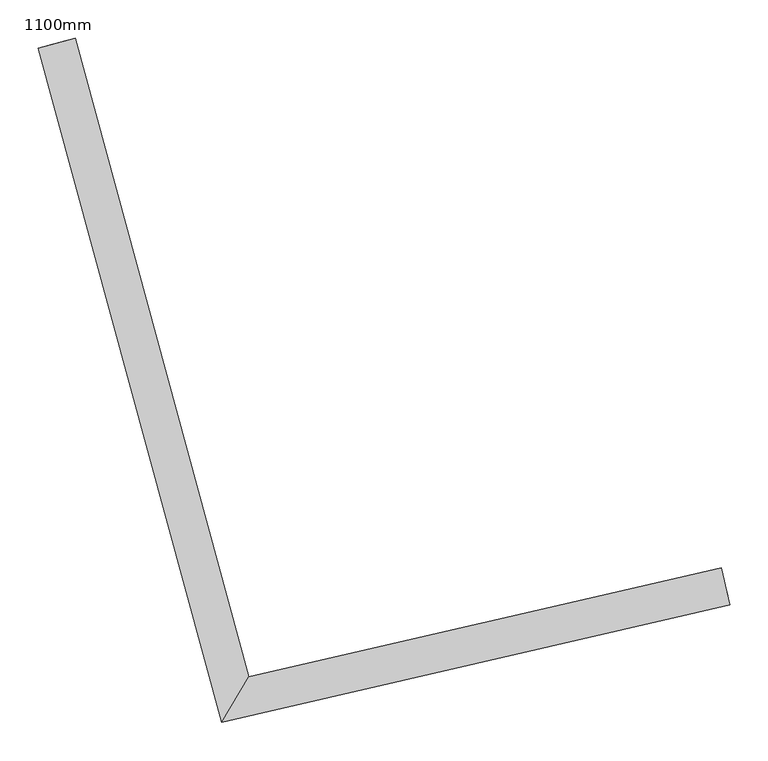
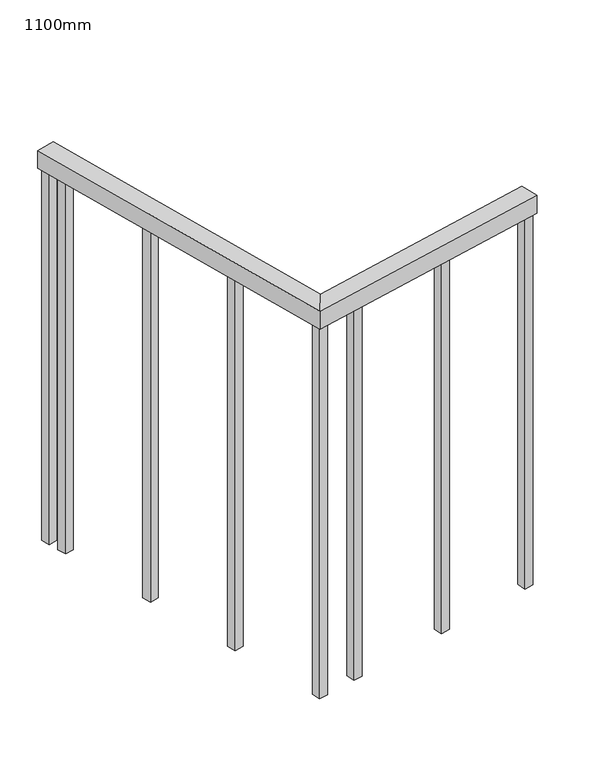
"""IFC4 building model written with IfcOpenShell, lengths in millimetres: railing geometry, 1100mm."""

from ifc_helpers import new_model, si_unit, frame, origin, place, context, project, spatial, polyline, outline, extrude, faceted_brep, source, transform, mapped, element, save


def railing_1100mm_95399db7(model_context):
    return source(origin(), model_context, "Body", "SolidModel", [
        faceted_brep([(220909.6233928, 77484.9003146, 1700.0), (220920.8709455, 77436.1818113, 1700.0), (220920.8709455, 77436.1818113, 1650.0), (220909.6233928, 77484.9003146, 1650.0), (220291.4766477, 77342.1898937, 1700.0), (220255.8461822, 77282.6487472, 1700.0), (220255.8461822, 77282.6487472, 1650.0), (220291.4766477, 77342.1898937, 1650.0), (220064.1799588, 78178.4393533, 1700.0), (220064.1799588, 78178.4393533, 1650.0), (220015.9304882, 78165.3249115, 1650.0), (220015.9304882, 78165.3249115, 1700.0)], [[[0, 1, 2, 3]], [[1, 0, 4, 5]], [[2, 1, 5, 6]], [[3, 2, 6, 7]], [[0, 3, 7, 4]], [[8, 9, 10, 11]], [[5, 4, 8, 11]], [[6, 5, 11, 10]], [[7, 6, 10, 9]], [[4, 7, 9, 8]]]),
        extrude(outline(polyline([(220072.6141025, 78099.7518284), (220048.4893672, 78093.1946075), (220041.9321463, 78117.3193428), (220066.0568816, 78123.8765637), (220072.6141025, 78099.7518284)])), frame((0.0, 0.0, 600.0), z_axis=(0.0, 0.0, 1.0), x_axis=(1.0, 0.0, 0.0)), (0.0, 0.0, 1.0), 1050.0),
        extrude(outline(polyline([(220144.7435327, 77834.37974), (220120.6187974, 77827.8225191), (220114.0615765, 77851.9472544), (220138.1863118, 77858.5044753), (220144.7435327, 77834.37974)])), frame((0.0, 0.0, 600.0), z_axis=(0.0, 0.0, 1.0), x_axis=(1.0, 0.0, 0.0)), (0.0, 0.0, 1.0), 1050.0),
        extrude(outline(polyline([(220216.8729629, 77569.0076516), (220192.7482276, 77562.4504307), (220186.1910067, 77586.575166), (220210.315742, 77593.132387), (220216.8729629, 77569.0076516)])), frame((0.0, 0.0, 600.0), z_axis=(0.0, 0.0, 1.0), x_axis=(1.0, 0.0, 0.0)), (0.0, 0.0, 1.0), 1050.0),
        extrude(outline(polyline([(220388.7113712, 77351.8094971), (220394.3351475, 77327.4502454), (220369.9758959, 77321.8264691), (220364.3521195, 77346.1857207), (220388.7113712, 77351.8094971)])), frame((0.0, 0.0, 600.0), z_axis=(0.0, 0.0, 1.0), x_axis=(1.0, 0.0, 0.0)), (0.0, 0.0, 1.0), 1050.0),
        extrude(outline(polyline([(220656.663139, 77413.671037), (220662.2869153, 77389.3117854), (220637.9276637, 77383.688009), (220632.3038874, 77408.0472606), (220656.663139, 77413.671037)])), frame((0.0, 0.0, 600.0), z_axis=(0.0, 0.0, 1.0), x_axis=(1.0, 0.0, 0.0)), (0.0, 0.0, 1.0), 1050.0),
        extrude(outline(polyline([(220283.0291526, 77327.4108344), (220288.652929, 77303.0515828), (220264.2936773, 77297.4278064), (220258.669901, 77321.7870581), (220283.0291526, 77327.4108344)])), frame((0.0, 0.0, 600.0), z_axis=(0.0, 0.0, 1.0), x_axis=(1.0, 0.0, 0.0)), (0.0, 0.0, 1.0), 1050.0),
        extrude(outline(polyline([(220058.6748121, 78151.0360076), (220034.5500768, 78144.4787866), (220027.9928559, 78168.6035219), (220052.1175912, 78175.1607429), (220058.6748121, 78151.0360076)])), frame((0.0, 0.0, 600.0), z_axis=(0.0, 0.0, 1.0), x_axis=(1.0, 0.0, 0.0)), (0.0, 0.0, 1.0), 1050.0),
        extrude(outline(polyline([(220912.435281, 77472.7206888), (220918.0590573, 77448.3614371), (220893.6998057, 77442.7376608), (220888.0760294, 77467.0969124), (220912.435281, 77472.7206888)])), frame((0.0, 0.0, 600.0), z_axis=(0.0, 0.0, 1.0), x_axis=(1.0, 0.0, 0.0)), (0.0, 0.0, 1.0), 1050.0),
    ])


if __name__ == "__main__":
    model = new_model("IFC4")
    model_context = context("Model", 3, world=origin())
    ifc_project = project(units=[si_unit("LENGTHUNIT", "METRE", prefix="MILLI")], contexts=[model_context])
    site = spatial("IfcSite", under=ifc_project)
    building = spatial("IfcBuilding", under=site)
    placement = place(None, origin())
    railing_1100mm_shape = railing_1100mm_95399db7(model_context)
    element("IfcRailing", 1, ObjectType="1100mm", at=placement, inside=building, context=model_context, shape_type="MappedRepresentation", body=[
        mapped(railing_1100mm_shape, transform((0.0, 0.0, 0.0), x_axis=(1.0, 0.0, 0.0), y_axis=(0.0, 1.0, 0.0), z_axis=(0.0, 0.0, 1.0))),
    ])
    save(model, "model.ifc")
